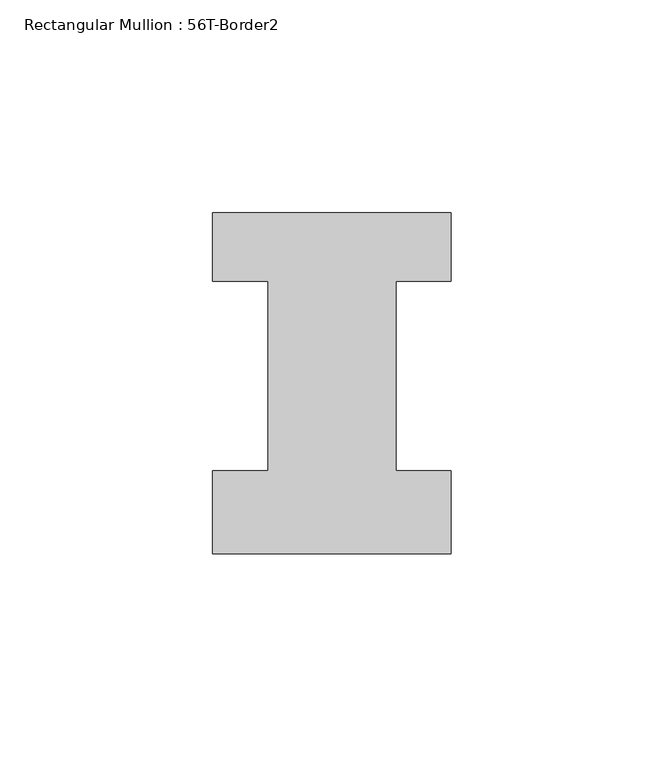
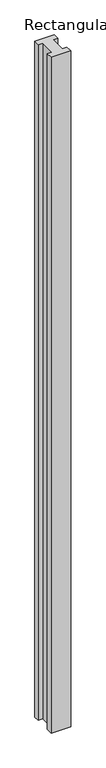
"""IFC4 building model written with IfcOpenShell, lengths in millimetres: member geometry, Rectangular Mullion : 56T-Border2."""

from ifc_helpers import new_model, si_unit, frame, origin, place, context, project, spatial, polyline, outline, extrude, source, transform, mapped, element, save


def rectangular_mullion_56t_border2_a2876b0d(model_context):
    return source(origin(), model_context, "Body", "SweptSolid", [
        extrude(outline(polyline([(0.0, -20.0), (-56.0, -20.0), (-56.0, -0.5), (-43.0, -0.5), (-43.0, 44.0), (-56.0, 44.0), (-56.0, 60.0), (0.0, 60.0), (0.0, 44.0), (-13.0, 44.0), (-13.0, -0.5), (0.0, -0.5), (0.0, -20.0)])), frame((0.0, 0.0, -2044.0), z_axis=(0.0, 0.0, 1.0), x_axis=(1.0, 0.0, 0.0)), (0.0, 0.0, 1.0), 2044.0),
    ])


if __name__ == "__main__":
    model = new_model("IFC4")
    model_context = context("Model", 3, world=origin())
    ifc_project = project(units=[si_unit("LENGTHUNIT", "METRE", prefix="MILLI")], contexts=[model_context])
    site = spatial("IfcSite", under=ifc_project)
    building = spatial("IfcBuilding", under=site)
    placement = place(None, origin())
    rectangular_mullion_56t_border2_shape = rectangular_mullion_56t_border2_a2876b0d(model_context)
    element("IfcMember", 1, ObjectType="Rectangular Mullion : 56T-Border2", at=placement, inside=building, context=model_context, shape_type="MappedRepresentation", body=[
        mapped(rectangular_mullion_56t_border2_shape, transform((0.0, 0.0, 0.0), x_axis=(1.0, 0.0, 0.0), y_axis=(0.0, 1.0, 0.0), z_axis=(0.0, 0.0, 1.0))),
    ])
    save(model, "model.ifc")
